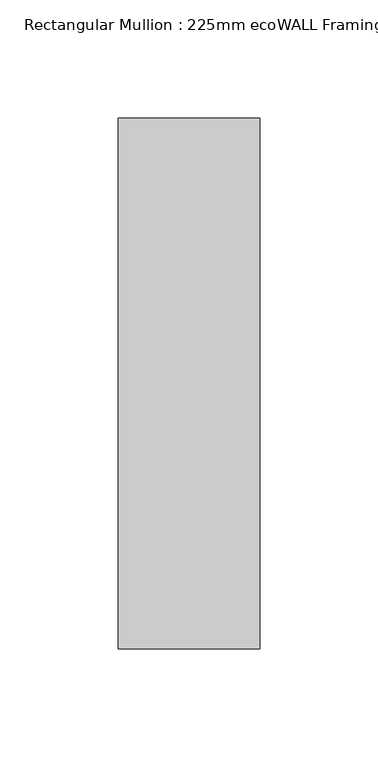
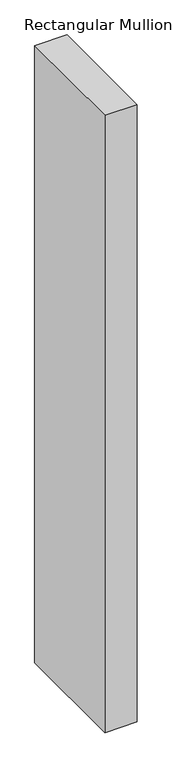
"""IFC4 building model written with IfcOpenShell, lengths in millimetres: member geometry, Rectangular Mullion : 225mm ecoWALL Framing."""

import ifcopenshell
import ifcopenshell.guid

model = None  # the IFC model being written
_history = None  # IfcOwnerHistory: only IFC2X3 demands one
_inside = {}  # id of a spatial element -> (the spatial element, [elements in it])
_under = {}  # id of a project, library or spatial element -> (it, [spatial elements below it])
_declared = {}  # id of a project -> (the project, [libraries it declares])
_typed = {}  # id of a type object -> (the type object, [elements of that type])
_made_of = {}  # id of a material, layer set ... -> (it, [elements and type objects made of it])


def new_model(schema):
    """Start an empty IFC model of exactly this schema.

    Asked for "IFC4X3", IfcOpenShell would pick the latest addendum, in which some entities
    have other attributes; the version numbers below select the first issue.
    IFC2X3 requires an IfcOwnerHistory on every rooted entity: one is made here for all.
    """
    global model, _history
    if schema == "IFC4X3":
        model = ifcopenshell.file(schema_version=(4, 3, 0, 0))
    else:
        model = ifcopenshell.file(schema=schema)
    _inside.clear()
    _under.clear()
    _declared.clear()
    _typed.clear()
    _made_of.clear()
    _history = None
    if model.schema == "IFC2X3":
        org = make("IfcOrganization", Name="unknown")
        user = make(
            "IfcPersonAndOrganization",
            ThePerson=make("IfcPerson", FamilyName="unknown"),
            TheOrganization=org,
        )
        app = make(
            "IfcApplication",
            ApplicationDeveloper=org,
            Version="unknown",
            ApplicationFullName="unknown",
            ApplicationIdentifier="unknown",
        )
        _history = make(
            "IfcOwnerHistory",
            OwningUser=user,
            OwningApplication=app,
            ChangeAction="ADDED",
            CreationDate=0,
        )
    return model


def make(cls, **values):
    """One entity of the class cls with the attributes given. An attribute that is None is left unset."""
    return model.create_entity(
        cls, **{name: value for name, value in values.items() if value is not None}
    )


def rooted(cls, **values):
    """An entity with a GlobalId (a new one), such as an element, a storey or a relation."""
    return make(cls, GlobalId=ifcopenshell.guid.new(), OwnerHistory=_history, **values)


def si_unit(unit_type, name, prefix=None):
    """IfcSIUnit, for example si_unit("LENGTHUNIT", "METRE", prefix="MILLI")."""
    return make("IfcSIUnit", UnitType=unit_type, Prefix=prefix, Name=name)


def assignment(units):
    """IfcUnitAssignment: the units of a project."""
    return None if units is None else make("IfcUnitAssignment", Units=units)


def point(xyz):
    """IfcCartesianPoint."""
    return None if xyz is None else make("IfcCartesianPoint", Coordinates=xyz)


def direction(xyz):
    """IfcDirection."""
    return None if xyz is None else make("IfcDirection", DirectionRatios=xyz)


def frame(location, z_axis=None, x_axis=None):
    """IfcAxis2Placement3D, a coordinate frame: its origin and axes. An axis left out is left unset."""
    return make(
        "IfcAxis2Placement3D",
        Location=point(location),
        Axis=direction(z_axis),
        RefDirection=direction(x_axis),
    )


def origin():
    """The frame at (0, 0, 0) with its axes left unset."""
    return frame((0.0, 0.0, 0.0))


def place(relative_to, where):
    """IfcLocalPlacement: puts the frame where relative to a parent placement (None: the world)."""
    return make(
        "IfcLocalPlacement", PlacementRelTo=relative_to, RelativePlacement=where
    )


def context(
    kind, dimensions, precision=None, world=None, true_north=None, identifier=None
):
    """IfcGeometricRepresentationContext, for example the 3D "Model" context."""
    return make(
        "IfcGeometricRepresentationContext",
        ContextIdentifier=identifier,
        ContextType=kind,
        CoordinateSpaceDimension=dimensions,
        Precision=precision,
        WorldCoordinateSystem=world,
        TrueNorth=true_north,
    )


def project(units=None, contexts=None):
    """IfcProject with its units and contexts."""
    return rooted(
        "IfcProject",
        Name="project",
        RepresentationContexts=contexts,
        UnitsInContext=assignment(units),
    )


def spatial(cls, under=None, at=None, **own):
    """A site, building, storey or space (cls), placed at a placement, below another one or the project."""
    s = rooted(cls, ObjectPlacement=at, **own)
    if under is not None:
        _under.setdefault(under.id(), (under, []))[1].append(s)
    return s


def polyline(points):
    """IfcPolyline through the points."""
    return make("IfcPolyline", Points=[point(p) for p in points])


def outline(outer, holes=None, kind="AREA"):
    """IfcArbitraryClosedProfileDef: a profile drawn as a closed curve; with holes, ...WithVoids."""
    if holes is None:
        return make("IfcArbitraryClosedProfileDef", ProfileType=kind, OuterCurve=outer)
    return make(
        "IfcArbitraryProfileDefWithVoids",
        ProfileType=kind,
        OuterCurve=outer,
        InnerCurves=holes,
    )


def extrude(swept, where, along, depth):
    """IfcExtrudedAreaSolid: the profile swept, set in the frame where, extruded along a direction by depth."""
    return make(
        "IfcExtrudedAreaSolid",
        SweptArea=swept,
        Position=where,
        ExtrudedDirection=direction(along),
        Depth=depth,
    )


def shape(context_of_items, identifier, shape_type, items):
    """IfcShapeRepresentation: the items that make up one representation, for example the "Body"."""
    return make(
        "IfcShapeRepresentation",
        ContextOfItems=context_of_items,
        RepresentationIdentifier=identifier,
        RepresentationType=shape_type,
        Items=items,
    )


def source(mapping_origin, context_of_items, identifier, shape_type, items):
    """IfcRepresentationMap: a shape defined once, which mapped items show again and again."""
    return make(
        "IfcRepresentationMap",
        MappingOrigin=mapping_origin,
        MappedRepresentation=shape(context_of_items, identifier, shape_type, items),
    )


def transform(
    local_origin,
    x_axis=None,
    y_axis=None,
    z_axis=None,
    scale=None,
    scale2=None,
    scale3=None,
    uniform=True,
):
    """IfcCartesianTransformationOperator3D, or its non-uniform kind. x_axis, y_axis, z_axis: its Axis1, 2, 3."""
    if uniform:
        return make(
            "IfcCartesianTransformationOperator3D",
            Axis1=direction(x_axis),
            Axis2=direction(y_axis),
            LocalOrigin=point(local_origin),
            Scale=scale,
            Axis3=direction(z_axis),
        )
    return make(
        "IfcCartesianTransformationOperator3DnonUniform",
        Axis1=direction(x_axis),
        Axis2=direction(y_axis),
        LocalOrigin=point(local_origin),
        Scale=scale,
        Axis3=direction(z_axis),
        Scale2=scale2,
        Scale3=scale3,
    )


def mapped(mapping_source, mapping_target):
    """IfcMappedItem: shows the shape of a source again, moved by a transform."""
    return make(
        "IfcMappedItem", MappingSource=mapping_source, MappingTarget=mapping_target
    )


def made_of(thing, what):
    """Note that an element or type object is made of a material, layer set ...; save() writes the relation."""
    if what is not None:
        _made_of.setdefault(what.id(), (what, []))[1].append(thing)
    return thing


def element(
    cls,
    number,
    at=None,
    inside=None,
    cuts=None,
    type_object=None,
    material=None,
    context=None,
    identifier="Body",
    shape_type=None,
    held_by="IfcProductDefinitionShape",
    body=None,
    shapes=None,
    **own,
):
    """One element of the class cls, such as IfcWall. Its Tag is "e" and its number.

    at: its placement. inside: the storey or other place that contains it. cuts: it is an
    opening in that element (IfcRelVoidsElement). A single representation is given by context,
    identifier, shape_type and body (its items); several are given by shapes. held_by: the class
    of the entity that holds the representations. save() writes the other relations.
    """
    e = rooted(cls, Tag="e%d" % number, ObjectPlacement=at, **own)
    if body is not None:
        shapes = [shape(context, identifier, shape_type, body)]
    if shapes is not None:
        e.Representation = make(held_by, Representations=shapes)
    if inside is not None:
        _inside.setdefault(inside.id(), (inside, []))[1].append(e)
    if cuts is not None:
        rooted(
            "IfcRelVoidsElement", RelatingBuildingElement=cuts, RelatedOpeningElement=e
        )
    if type_object is not None:
        _typed.setdefault(type_object.id(), (type_object, []))[1].append(e)
    return made_of(e, material)


def aggregate(whole, parts):
    """IfcRelAggregates: a whole, such as a stair, and the parts it consists of."""
    return rooted("IfcRelAggregates", RelatingObject=whole, RelatedObjects=parts)


def save(model, path):
    """Write the relations noted so far, then the file.

    IfcRelAggregates (storeys below a building ...), IfcRelContainedInSpatialStructure (elements
    in a storey), IfcRelDefinesByType, IfcRelAssociatesMaterial and IfcRelDeclares: one each for
    every whole, place, type object, material and project.
    """
    for whole, parts in _under.values():
        aggregate(whole, parts)
    for where, things in _inside.values():
        rooted(
            "IfcRelContainedInSpatialStructure",
            RelatedElements=things,
            RelatingStructure=where,
        )
    for kind, things in _typed.values():
        rooted("IfcRelDefinesByType", RelatedObjects=things, RelatingType=kind)
    for what, things in _made_of.values():
        rooted("IfcRelAssociatesMaterial", RelatedObjects=things, RelatingMaterial=what)
    for by, libraries in _declared.values():
        rooted("IfcRelDeclares", RelatingContext=by, RelatedDefinitions=libraries)
    model.write(path)


def rectangular_mullion_225mm_ecowall_framing_fe7b934d(model_context):
    return source(origin(), model_context, "Body", "SweptSolid", [
        extrude(outline(polyline([(30.0, 112.5), (30.0, -112.5), (-30.0, -112.5), (-30.0, 112.5), (30.0, 112.5)])), frame((0.0, 0.0, -1210.0), z_axis=(0.0, 0.0, 1.0), x_axis=(1.0, 0.0, 0.0)), (0.0, 0.0, 1.0), 1210.0),
    ])


if __name__ == "__main__":
    model = new_model("IFC4")
    model_context = context("Model", 3, world=origin())
    ifc_project = project(units=[si_unit("LENGTHUNIT", "METRE", prefix="MILLI")], contexts=[model_context])
    site = spatial("IfcSite", under=ifc_project)
    building = spatial("IfcBuilding", under=site)
    placement = place(None, origin())
    rectangular_mullion_225mm_ecowall_framing_shape = rectangular_mullion_225mm_ecowall_framing_fe7b934d(model_context)
    element("IfcMember", 1, ObjectType="Rectangular Mullion : 225mm ecoWALL Framing", at=placement, inside=building, context=model_context, shape_type="MappedRepresentation", body=[
        mapped(rectangular_mullion_225mm_ecowall_framing_shape, transform((0.0, 0.0, 0.0), x_axis=(1.0, 0.0, 0.0), y_axis=(0.0, 1.0, 0.0), z_axis=(0.0, 0.0, 1.0))),
    ])
    save(model, "model.ifc")
